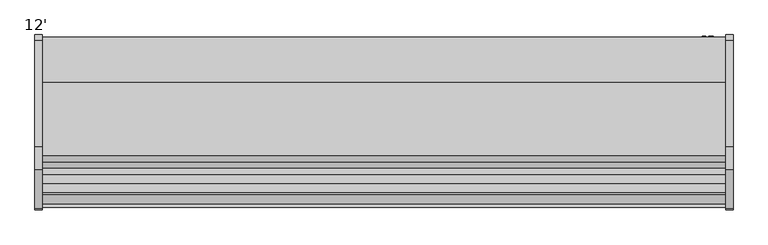
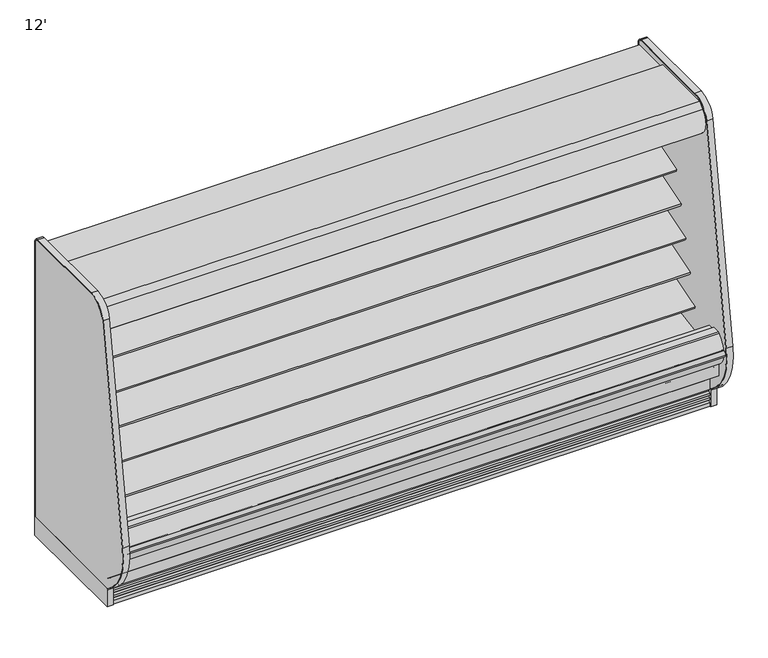
"""IFC4 building model written with IfcOpenShell, lengths in millimetres: proxy geometry, 12'."""

from ifc_helpers import new_model, si_unit, point, frame, frame_2d, origin, origin_with_axes, place, context, project, spatial, polyline, circle_curve, trimmed, segment, composite_curve, outline, extrude, source, transform, mapped, element, save
from ifc_brep_helpers import plane_surface, revolved_surface, advanced_brep


def proxy_12_115de630(model_context):
    return source(origin(), model_context, "Body", "SolidModel", [
        extrude(outline(composite_curve([segment(polyline([(-504.9331995, 1231.4784284), (-504.9331995, 1153.1939633), (-518.2051955, 1148.8882479)]), True, "CONTINUOUS"), segment(trimmed(circle_curve(frame_2d((-526.0433303, 1173.0486213)), 25.4), [point((-518.2051955, 1148.8882479))], [point((-535.5495316, 1149.4945954))], False, "CARTESIAN"), True, "CONTINUOUS"), segment(polyline([(-535.5495316, 1149.4945954), (-556.8449295, 1158.0892339)]), True, "CONTINUOUS"), segment(trimmed(circle_curve(frame_2d((-580.6104329, 1099.2041692)), 63.5), [point((-556.8449295, 1158.0892339))], [point((-591.4790956, 1161.7671149))], True, "CARTESIAN"), True, "CONTINUOUS"), segment(polyline([(-591.4790956, 1161.7671149), (-780.783108, 1128.6709714), (-783.2127521, 1131.5259116), (-840.8364756, 1113.9085713), (-844.9951707, 1127.5110502), (-504.9331995, 1231.4784284)]), True, "CONTINUOUS")], self_intersect=False)), frame((0.0, 0.0, 0.0), z_axis=(1.0, 0.0, 0.0), x_axis=(0.0, 1.0, 0.0)), (0.0, 0.0, 1.0), 3657.6),
        extrude(outline(composite_curve([segment(trimmed(circle_curve(frame_2d((-755.1213828, 1754.6817837)), 14.2875), [point((-740.8338828, 1754.6817837))], [point((-769.4088828, 1754.6817837))], False, "CARTESIAN"), True, "CONTINUOUS"), segment(trimmed(circle_curve(frame_2d((-755.1213828, 1754.6817837)), 14.2875), [point((-769.4088828, 1754.6817837))], [point((-740.8338828, 1754.6817837))], False, "CARTESIAN"), True, "CONTINUOUS")], self_intersect=False)), frame((0.0, 0.0, 0.0), z_axis=(1.0, 0.0, 0.0), x_axis=(0.0, 1.0, 0.0)), (0.0, 0.0, 1.0), 3657.6),
        extrude(outline(polyline([(-734.0000368, 1783.4480074), (-734.0000368, 1781.8605074), (-745.9062868, 1781.8605074), (-781.6250368, 1758.0480074), (-781.6250368, 1781.8605074), (-802.2625368, 1781.8605074), (-802.2625368, 1723.2826254), (-798.9859062, 1707.1532905), (-800.5416293, 1706.8372496), (-803.8500368, 1723.1230074), (-803.8500368, 1783.4480074), (-734.0000368, 1783.4480074)])), frame((0.0, 0.0, 0.0), z_axis=(1.0, 0.0, 0.0), x_axis=(0.0, 1.0, 0.0)), (0.0, 0.0, 1.0), 3657.6),
        extrude(outline(composite_curve([segment(polyline([(-645.2072918, 1887.6264001), (-951.9166873, 1887.6264001), (-951.9166873, 1837.4360001), (-910.7889599, 1837.4360001), (-910.7889599, 1751.481792), (-914.7191706, 1751.481792), (-957.9732964, 1778.3902586), (-1045.9679806, 1778.3902586), (-1051.3862085, 1749.0156271), (-1059.481178, 1742.4581239), (-1061.2400107, 1736.6057625), (-1066.37165, 1728.7312858)]), True, "CONTINUOUS"), segment(trimmed(circle_curve(frame_2d((-1071.317344, 1733.5755629)), 6.9229264), [point((-1066.37165, 1728.7312858))], [point((-1076.4850743, 1728.9688858))], False, "CARTESIAN"), True, "CONTINUOUS"), segment(trimmed(circle_curve(frame_2d((-997.6333247, 1799.2598126)), 105.6333886), [point((-1076.4850743, 1728.9688858))], [point((-1070.6777032, 1875.5679482))], False, "CARTESIAN"), True, "CONTINUOUS"), segment(trimmed(circle_curve(frame_2d((-1536.9601915, 2362.0700675)), 673.8721474), [point((-1070.6777032, 1875.5679482))], [point((-1038.8813513, 1908.174551))], True, "CARTESIAN"), True, "CONTINUOUS"), segment(polyline([(-1038.8813513, 1908.174551), (-645.2072918, 1908.174551), (-645.2072918, 1887.6264001)]), True, "CONTINUOUS")], self_intersect=False)), frame((0.0, 0.0, 0.0), z_axis=(1.0, 0.0, 0.0), x_axis=(0.0, 1.0, 0.0)), (0.0, 0.0, 1.0), 3657.6),
        extrude(outline(polyline([(174.853063, -1017.4589273), (481.100863, -1017.4589273), (481.100863, -1115.8839273), (174.853063, -1115.8839273), (174.853063, -1017.4589273)])), frame((0.0, 0.0, 7.2630602), z_axis=(0.0, 0.0, 1.0), x_axis=(1.0, 0.0, 0.0)), (0.0, 0.0, 1.0), 9.6482401),
        extrude(outline(composite_curve([segment(trimmed(circle_curve(frame_2d((3464.8428976, -1007.9339273)), 12.7), [point((3452.1428976, -1007.9339273))], [point((3477.5428976, -1007.9339273))], False, "CARTESIAN"), True, "CONTINUOUS"), segment(trimmed(circle_curve(frame_2d((3464.8428976, -1007.9339273)), 12.7), [point((3477.5428976, -1007.9339273))], [point((3452.1428976, -1007.9339273))], False, "CARTESIAN"), True, "CONTINUOUS")], self_intersect=False)), frame((0.0, 0.0, 71.1788852), z_axis=(0.0, 0.0, 1.0), x_axis=(1.0, 0.0, 0.0)), (0.0, 0.0, 1.0), 58.9961148),
        extrude(outline(composite_curve([segment(trimmed(circle_curve(frame_2d((3412.5280532, -1007.9339273)), 9.525), [point((3403.0030532, -1007.9339273))], [point((3422.0530532, -1007.9339273))], False, "CARTESIAN"), True, "CONTINUOUS"), segment(trimmed(circle_curve(frame_2d((3412.5280532, -1007.9339273)), 9.525), [point((3422.0530532, -1007.9339273))], [point((3403.0030532, -1007.9339273))], False, "CARTESIAN"), True, "CONTINUOUS")], self_intersect=False)), frame((0.0, 0.0, 71.1788852), z_axis=(0.0, 0.0, 1.0), x_axis=(1.0, 0.0, 0.0)), (0.0, 0.0, 1.0), 58.9961148),
        extrude(outline(composite_curve([segment(trimmed(circle_curve(frame_2d((1828.8, -988.8839273)), 38.1), [point((1790.7, -988.8839273))], [point((1866.9, -988.8839273))], False, "CARTESIAN"), True, "CONTINUOUS"), segment(trimmed(circle_curve(frame_2d((1828.8, -988.8839273)), 38.1), [point((1866.9, -988.8839273))], [point((1790.7, -988.8839273))], False, "CARTESIAN"), True, "CONTINUOUS")], self_intersect=False)), frame((0.0, 0.0, 71.1788852), z_axis=(0.0, 0.0, 1.0), x_axis=(1.0, 0.0, 0.0)), (0.0, 0.0, 1.0), 58.9961148),
        advanced_brep(
        [(3657.6, -1017.4589273, 130.175), (3657.6, -1087.7580824, 130.175), (3657.6, -1115.8839273, 152.8829537), (3657.6, -1115.8839273, 16.9113003), (3657.6, -1017.4589273, 16.9113003), (0.0, -1017.4589273, 130.175), (0.0, -1017.4589273, 16.9113003), (0.0, -1115.8839273, 16.9113003), (0.0, -1115.8839273, 152.8829537), (0.0, -1087.7580824, 130.175), (3488.4240418, -1017.4589273, 130.175), (3388.6259582, -1017.4589273, 130.175), (1870.8013021, -1017.4589273, 130.175), (1786.7986979, -1017.4589273, 130.175), (1786.7986979, -1017.4589273, 16.9113003), (1870.8013021, -1017.4589273, 16.9113003), (3388.6259582, -1017.4589273, 16.9113003), (3488.4240418, -1017.4589273, 16.9113003)],
        [
            (0, 1),
            (1, 2),
            (2, 3),
            (3, 4),
            (4, 0),
            (5, 6),
            (6, 7),
            (7, 8),
            (8, 9),
            (9, 5),
            (0, 10),
            (10, 11, circle_curve(frame((3438.525, -1007.9339273, 130.175), z_axis=(0.0, 0.0, -1.0), x_axis=(1.0, 0.0, 0.0)), 50.8)),
            (11, 12),
            (12, 13, circle_curve(frame((1828.8, -988.8839273, 130.175), z_axis=(0.0, 0.0, -1.0), x_axis=(1.0, 0.0, 0.0)), 50.8)),
            (13, 5),
            (9, 1),
            (8, 2),
            (3, 7),
            (6, 14),
            (14, 15, circle_curve(frame((1828.8, -988.8839273, 16.9113003), z_axis=(0.0, 0.0, 1.0), x_axis=(1.0, 0.0, 0.0)), 50.8)),
            (15, 16),
            (16, 17, circle_curve(frame((3438.525, -1007.9339273, 16.9113003), z_axis=(0.0, 0.0, 1.0), x_axis=(1.0, 0.0, 0.0)), 50.8)),
            (17, 4),
            (17, 10),
            (13, 14),
            (15, 12),
            (11, 16),
        ],
        [
            plane_surface(frame((3657.6, -1087.7580824, 130.175), z_axis=(1.0, 0.0, 0.0), x_axis=(0.0, -1.0, 0.0))),
            plane_surface(frame((0.0, -1087.7580824, 130.175), z_axis=(-1.0, 0.0, 0.0), x_axis=(0.0, 1.0, 0.0))),
            plane_surface(frame((3657.6, -1017.4589273, 130.175), z_axis=(0.0, 0.0, 1.0), x_axis=(-1.0, 0.0, 0.0))),
            plane_surface(frame((3657.6, -1087.7580824, 130.175), z_axis=(0.0, 0.628185164263753, 0.7780638787393499), x_axis=(-1.0, 0.0, 0.0))),
            plane_surface(frame((3657.6, -1115.8839273, 16.9113003), z_axis=(0.0, 0.0, -1.0), x_axis=(-1.0, 0.0, 0.0))),
            plane_surface(frame((3657.6, -1017.4589273, 16.9113003), z_axis=(0.0, 1.0, 0.0), x_axis=(-1.0, 0.0, 0.0))),
            revolved_surface(polyline([(1879.6, -988.8839273, 130.175), (1879.6, -988.8839273, 16.9113003)]), (1828.8, -988.8839273, 0.0), (0.0, 0.0, 1.0)),
            revolved_surface(polyline([(3489.3250000000003, -1007.9339273, 130.175), (3489.3250000000003, -1007.9339273, 16.9113003)]), (3438.525, -1007.9339273, 0.0), (0.0, 0.0, 1.0)),
            plane_surface(frame((3657.6, -1115.8839273, 152.8829537), z_axis=(0.0, -1.0, 0.0), x_axis=(-1.0, 0.0, 0.0))),
        ],
        [
            (0, [[1, 2, 3, 4, 5]]),
            (1, [[6, 7, 8, 9, 10]]),
            (2, [[-1, 11, 12, 13, 14, 15, -10, 16]]),
            (3, [[-2, -16, -9, 17]]),
            (4, [[-4, 18, -7, 19, 20, 21, 22, 23]]),
            (5, [[-5, -23, 24, -11]]),
            (5, [[-6, -15, 25, -19]]),
            (5, [[26, -13, 27, -21]]),
            (6, [[-14, -26, -20, -25]]),
            (7, [[-12, -24, -22, -27]]),
            (8, [[-3, -17, -8, -18]]),
        ],
    ),
        advanced_brep(
        [(3657.6, -401.5089273, 0.0), (3657.6, -401.5089273, 130.175), (3657.6, -1017.4589273, 130.175), (3657.6, -1017.4589273, 0.0), (3657.6, -973.8344273, 0.0), (3657.6, -973.8344273, 74.8810382), (3657.6, -446.7209273, 74.8810382), (3657.6, -446.7209273, 0.0), (0.0, -401.5089273, 0.0), (0.0, -446.7209273, 0.0), (0.0, -446.7209273, 74.8810382), (0.0, -973.8344273, 74.8810382), (0.0, -973.8344273, 0.0), (0.0, -1017.4589273, 0.0), (0.0, -1017.4589273, 130.175), (0.0, -401.5089273, 130.175), (1786.7986979, -1017.4589273, 130.175), (1778.0, -988.8839273, 130.175), (1879.6, -988.8839273, 130.175), (1870.8013021, -1017.4589273, 130.175), (3388.6259582, -1017.4589273, 130.175), (3387.725, -1007.9339273, 130.175), (3489.325, -1007.9339273, 130.175), (3488.4240418, -1017.4589273, 130.175), (3488.4240418, -1017.4589273, 0.0), (1786.7986979, -1017.4589273, 0.0), (1870.8013021, -1017.4589273, 0.0), (3388.6259582, -1017.4589273, 0.0), (3489.325, -1007.9339273, 0.0), (3476.1795362, -973.8344273, 0.0), (1780.28039, -973.8344273, 0.0), (1778.0, -988.8839273, 0.0), (1879.6, -988.8839273, 0.0), (1877.31961, -973.8344273, 0.0), (3400.8704638, -973.8344273, 0.0), (3387.725, -1007.9339273, 0.0), (3476.1795362, -973.8344273, 74.8810382), (1780.28039, -973.8344273, 74.8810382), (1877.31961, -973.8344273, 74.8810382), (3400.8704638, -973.8344273, 74.8810382)],
        [
            (0, 1),
            (1, 2),
            (2, 3),
            (3, 4),
            (4, 5),
            (5, 6),
            (6, 7),
            (7, 0),
            (8, 9),
            (9, 10),
            (10, 11),
            (11, 12),
            (12, 13),
            (13, 14),
            (14, 15),
            (15, 8),
            (0, 8),
            (15, 1),
            (14, 16),
            (16, 17, circle_curve(frame((1828.8, -988.8839273, 130.175), z_axis=(0.0, 0.0, -1.0), x_axis=(1.0, 0.0, 0.0)), 50.8)),
            (17, 18, circle_curve(frame((1828.8, -988.8839273, 130.175), z_axis=(0.0, 0.0, -1.0), x_axis=(1.0, 0.0, 0.0)), 50.8)),
            (18, 19, circle_curve(frame((1828.8, -988.8839273, 130.175), z_axis=(0.0, 0.0, -1.0), x_axis=(1.0, 0.0, 0.0)), 50.8)),
            (19, 20),
            (20, 21, circle_curve(frame((3438.525, -1007.9339273, 130.175), z_axis=(0.0, 0.0, -1.0), x_axis=(1.0, 0.0, 0.0)), 50.8)),
            (21, 22, circle_curve(frame((3438.525, -1007.9339273, 130.175), z_axis=(0.0, 0.0, -1.0), x_axis=(1.0, 0.0, 0.0)), 50.8)),
            (22, 23, circle_curve(frame((3438.525, -1007.9339273, 130.175), z_axis=(0.0, 0.0, -1.0), x_axis=(1.0, 0.0, 0.0)), 50.8)),
            (23, 2),
            (23, 24),
            (24, 3),
            (13, 25),
            (25, 16),
            (19, 26),
            (26, 27),
            (27, 20),
            (24, 28, circle_curve(frame((3438.525, -1007.9339273, 0.0), z_axis=(0.0, 0.0, 1.0), x_axis=(1.0, 0.0, 0.0)), 50.8)),
            (28, 29, circle_curve(frame((3438.525, -1007.9339273, 0.0), z_axis=(0.0, 0.0, 1.0), x_axis=(1.0, 0.0, 0.0)), 50.8)),
            (29, 4),
            (12, 30),
            (30, 31, circle_curve(frame((1828.8, -988.8839273, 0.0), z_axis=(0.0, 0.0, 1.0), x_axis=(1.0, 0.0, 0.0)), 50.8)),
            (31, 25, circle_curve(frame((1828.8, -988.8839273, 0.0), z_axis=(0.0, 0.0, 1.0), x_axis=(1.0, 0.0, 0.0)), 50.8)),
            (26, 32, circle_curve(frame((1828.8, -988.8839273, 0.0), z_axis=(0.0, 0.0, 1.0), x_axis=(1.0, 0.0, 0.0)), 50.8)),
            (32, 33, circle_curve(frame((1828.8, -988.8839273, 0.0), z_axis=(0.0, 0.0, 1.0), x_axis=(1.0, 0.0, 0.0)), 50.8)),
            (33, 34),
            (34, 35, circle_curve(frame((3438.525, -1007.9339273, 0.0), z_axis=(0.0, 0.0, 1.0), x_axis=(1.0, 0.0, 0.0)), 50.8)),
            (35, 27, circle_curve(frame((3438.525, -1007.9339273, 0.0), z_axis=(0.0, 0.0, 1.0), x_axis=(1.0, 0.0, 0.0)), 50.8)),
            (29, 36),
            (36, 5),
            (11, 37),
            (37, 30),
            (33, 38),
            (38, 39),
            (39, 34),
            (36, 39, circle_curve(frame((3438.525, -1007.9339273, 74.8810382), z_axis=(0.0, 0.0, 1.0), x_axis=(1.0, 0.0, 0.0)), 50.8)),
            (38, 37, circle_curve(frame((1828.8, -988.8839273, 74.8810382), z_axis=(0.0, 0.0, 1.0), x_axis=(1.0, 0.0, 0.0)), 50.8)),
            (10, 6),
            (9, 7),
            (18, 32),
            (31, 17),
            (22, 28),
            (35, 21),
        ],
        [
            plane_surface(frame((3657.6, -401.5089273, 1893.5715584), z_axis=(1.0, 0.0, 0.0), x_axis=(0.0, 0.0, 1.0))),
            plane_surface(frame((0.0, -401.5089273, 1893.5715584), z_axis=(-1.0, 0.0, 0.0), x_axis=(0.0, 0.0, -1.0))),
            plane_surface(frame((3657.6, -401.5089273, 0.0), z_axis=(0.0, 1.0, 0.0), x_axis=(-1.0, 0.0, 0.0))),
            plane_surface(frame((3657.6, -401.5089273, 130.175), z_axis=(0.0, 0.0, 1.0), x_axis=(-1.0, 0.0, 0.0))),
            plane_surface(frame((3657.6, -1017.4589273, 130.175), z_axis=(0.0, -1.0, 0.0), x_axis=(-1.0, 0.0, 0.0))),
            plane_surface(frame((3657.6, -1017.4589273, 0.0), z_axis=(0.0, 0.0, -1.0), x_axis=(-1.0, 0.0, 0.0))),
            plane_surface(frame((3657.6, -973.8344273, 0.0), z_axis=(0.0, 1.0, 0.0), x_axis=(-1.0, 0.0, 0.0))),
            plane_surface(frame((3657.6, -973.8344273, 74.8810382), z_axis=(0.0, 0.0, -1.0), x_axis=(-1.0, 0.0, 0.0))),
            plane_surface(frame((3657.6, -446.7209273, 74.8810382), z_axis=(0.0, -1.0, 0.0), x_axis=(-1.0, 0.0, 0.0))),
            plane_surface(frame((3657.6, -446.7209273, 0.0), z_axis=(0.0, 0.0, -1.0), x_axis=(-1.0, 0.0, 0.0))),
            revolved_surface(polyline([(1879.6, -988.8839273, 130.175), (1879.6, -988.8839273, 0.0)]), (1828.8, -988.8839273, 0.0), (0.0, 0.0, 1.0)),
            revolved_surface(polyline([(3489.3250000000003, -1007.9339273, 130.175), (3489.3250000000003, -1007.9339273, 0.0)]), (3438.525, -1007.9339273, 0.0), (0.0, 0.0, 1.0)),
        ],
        [
            (0, [[1, 2, 3, 4, 5, 6, 7, 8]]),
            (1, [[9, 10, 11, 12, 13, 14, 15, 16]]),
            (2, [[-1, 17, -16, 18]]),
            (3, [[-2, -18, -15, 19, 20, 21, 22, 23, 24, 25, 26, 27]]),
            (4, [[-3, -27, 28, 29]]),
            (4, [[-14, 30, 31, -19]]),
            (4, [[32, 33, 34, -23]]),
            (5, [[-4, -29, 35, 36, 37]]),
            (5, [[-13, 38, 39, 40, -30]]),
            (5, [[41, 42, 43, 44, 45, -33]]),
            (6, [[-5, -37, 46, 47]]),
            (6, [[-12, 48, 49, -38]]),
            (6, [[50, 51, 52, -43]]),
            (7, [[-6, -47, 53, -51, 54, -48, -11, 55]]),
            (8, [[-7, -55, -10, 56]]),
            (9, [[-8, -56, -9, -17]]),
            (10, [[57, -41, -32, -22]]),
            (10, [[58, -20, -31, -40]]),
            (10, [[-57, -21, -58, -39, -49, -54, -50, -42]]),
            (11, [[59, -35, -28, -26]]),
            (11, [[60, -24, -34, -45]]),
            (11, [[-59, -25, -60, -44, -52, -53, -46, -36]]),
        ],
    ),
        extrude(outline(composite_curve([segment(polyline([(-504.9331995, 698.5637759), (-504.9331995, 620.2793108), (-518.2051955, 615.9735953)]), True, "CONTINUOUS"), segment(trimmed(circle_curve(frame_2d((-526.0433303, 640.1339687)), 25.4), [point((-518.2051955, 615.9735953))], [point((-535.5495316, 616.5799428))], False, "CARTESIAN"), True, "CONTINUOUS"), segment(polyline([(-535.5495316, 616.5799428), (-558.3357517, 627.7682995)]), True, "CONTINUOUS"), segment(trimmed(circle_curve(frame_2d((-569.7928058, 604.43485)), 25.9944985), [point((-558.3357517, 627.7682995))], [point((-574.7613155, 629.9500977))], True, "CARTESIAN"), True, "CONTINUOUS"), segment(polyline([(-574.7613155, 629.9500977), (-831.3116554, 579.9927985), (-834.3085598, 582.9897029), (-986.5773204, 536.436471), (-990.7360155, 550.0389499), (-504.9331995, 698.5637759)]), True, "CONTINUOUS")], self_intersect=False)), frame((0.0, 0.0, 0.0), z_axis=(1.0, 0.0, 0.0), x_axis=(0.0, 1.0, 0.0)), (0.0, 0.0, 1.0), 3657.6),
        extrude(outline(composite_curve([segment(polyline([(-504.9331995, 876.3637759), (-504.9331995, 798.0793108), (-518.2051955, 793.7735953)]), True, "CONTINUOUS"), segment(trimmed(circle_curve(frame_2d((-526.0433303, 817.9339687)), 25.4), [point((-518.2051955, 793.7735953))], [point((-535.5495316, 794.3799428))], False, "CARTESIAN"), True, "CONTINUOUS"), segment(polyline([(-535.5495316, 794.3799428), (-556.8449295, 802.9745814)]), True, "CONTINUOUS"), segment(trimmed(circle_curve(frame_2d((-580.6104329, 744.0895166)), 63.5), [point((-556.8449295, 802.9745814))], [point((-591.4790956, 806.6524623))], True, "CARTESIAN"), True, "CONTINUOUS"), segment(polyline([(-591.4790956, 806.6524623), (-780.783108, 773.5563188), (-783.2127521, 776.4112591), (-937.9970388, 729.0889536), (-942.1557339, 742.6914325), (-504.9331995, 876.3637759)]), True, "CONTINUOUS")], self_intersect=False)), frame((0.0, 0.0, 0.0), z_axis=(1.0, 0.0, 0.0), x_axis=(0.0, 1.0, 0.0)), (0.0, 0.0, 1.0), 3657.6),
        extrude(outline(composite_curve([segment(polyline([(-504.9331995, 1054.1637759), (-504.9331995, 975.8793108), (-518.2051955, 971.5735953)]), True, "CONTINUOUS"), segment(trimmed(circle_curve(frame_2d((-526.0433303, 995.7339687)), 25.4), [point((-518.2051955, 971.5735953))], [point((-535.5495316, 972.1799428))], False, "CARTESIAN"), True, "CONTINUOUS"), segment(polyline([(-535.5495316, 972.1799428), (-556.8449295, 980.7745814)]), True, "CONTINUOUS"), segment(trimmed(circle_curve(frame_2d((-580.6104329, 921.8895166)), 63.5), [point((-556.8449295, 980.7745814))], [point((-591.4790956, 984.4524623))], True, "CARTESIAN"), True, "CONTINUOUS"), segment(polyline([(-591.4790956, 984.4524623), (-780.783108, 951.3563188), (-783.2127521, 954.2112591), (-889.4167572, 921.7414362), (-893.5754523, 935.3439151), (-504.9331995, 1054.1637759)]), True, "CONTINUOUS")], self_intersect=False)), frame((0.0, 0.0, 0.0), z_axis=(1.0, 0.0, 0.0), x_axis=(0.0, 1.0, 0.0)), (0.0, 0.0, 1.0), 3657.6),
        extrude(outline(composite_curve([segment(trimmed(circle_curve(frame_2d((317.5, 3578.0090336)), 12.7), [point((317.5, 3590.7090336))], [point((317.5, 3565.3090336))], False, "CARTESIAN"), True, "CONTINUOUS"), segment(trimmed(circle_curve(frame_2d((317.5, 3578.0090336)), 12.7), [point((317.5, 3565.3090336))], [point((317.5, 3590.7090336))], False, "CARTESIAN"), True, "CONTINUOUS")], self_intersect=False)), frame((0.0, -447.5561252, 0.0), z_axis=(0.0, 1.0, 0.0), x_axis=(0.0, 0.0, 1.0)), (0.0, 0.0, 1.0), 52.3971979),
        extrude(outline(composite_curve([segment(trimmed(circle_curve(frame_2d((317.5, 3539.5972115)), 9.525), [point((317.5, 3549.1222115))], [point((317.5, 3530.0722115))], False, "CARTESIAN"), True, "CONTINUOUS"), segment(trimmed(circle_curve(frame_2d((317.5, 3539.5972115)), 9.525), [point((317.5, 3530.0722115))], [point((317.5, 3549.1222115))], False, "CARTESIAN"), True, "CONTINUOUS")], self_intersect=False)), frame((0.0, -447.5561252, 0.0), z_axis=(0.0, 1.0, 0.0), x_axis=(0.0, 0.0, 1.0)), (0.0, 0.0, 1.0), 52.3971979),
        extrude(outline(composite_curve([segment(polyline([(-451.7851762, 1837.4360001), (-451.7851762, 404.745884), (-504.9331995, 404.745884), (-504.9331995, 1758.0415628)]), True, "CONTINUOUS"), segment(trimmed(circle_curve(frame_2d((-530.3331995, 1758.0415628)), 25.4), [point((-504.9331995, 1758.0415628))], [point((-530.3331995, 1783.4415628))], True, "CARTESIAN"), True, "CONTINUOUS"), segment(polyline([(-530.3331995, 1783.4415628), (-809.1889611, 1783.4415628), (-809.1889611, 1776.8817932), (-910.7889599, 1776.8817932), (-910.7889599, 1837.4360001), (-451.7851762, 1837.4360001)]), True, "CONTINUOUS")], self_intersect=False)), frame((0.0, 0.0, 0.0), z_axis=(1.0, 0.0, 0.0), x_axis=(0.0, 1.0, 0.0)), (0.0, 0.0, 1.0), 3657.6),
        advanced_brep(
        [(3657.6, -1087.7580824, 130.175), (3657.6, -401.5089273, 130.175), (3657.6, -401.5089273, 1887.6264001), (3657.6, -951.9166873, 1887.6264001), (3657.6, -951.9166873, 1837.4360001), (3657.6, -451.7851762, 1837.4360001), (3657.6, -451.7851762, 220.9153254), (3657.6, -907.4980548, 192.4688739), (3657.6, -953.7315308, 153.8351049), (3657.6, -1018.2338414, 151.5826346), (3657.6, -1069.8475697, 188.921294), (3657.6, -1084.4521206, 188.4112919), (3657.6, -1191.9593872, 278.6205996), (3657.6, -1191.9593872, 391.24255), (3657.6, -1241.4639874, 391.24255), (3657.6, -1241.4639874, 254.2724833), (0.0, -1087.7580824, 130.175), (0.0, -1241.4639874, 254.2724833), (0.0, -1241.4639874, 391.24255), (0.0, -1191.9593872, 391.24255), (0.0, -1191.9593872, 278.6205996), (0.0, -1084.4521206, 188.4112919), (0.0, -1069.8475697, 188.921294), (0.0, -1018.2338414, 151.5826346), (0.0, -953.7315308, 153.8351049), (0.0, -907.4980548, 192.4688739), (0.0, -451.7851762, 220.9153254), (0.0, -451.7851762, 1837.4360001), (0.0, -951.9166873, 1837.4360001), (0.0, -951.9166873, 1887.6264001), (0.0, -401.5089273, 1887.6264001), (0.0, -401.5089273, 130.175), (3556.0, -447.5561252, 266.7), (3556.0, -447.5561252, 368.3), (3556.0, -401.5089273, 368.3), (3556.0, -401.5089273, 266.7)],
        [
            (0, 1),
            (1, 2),
            (2, 3),
            (3, 4),
            (4, 5),
            (5, 6),
            (6, 7),
            (7, 8),
            (8, 9),
            (9, 10),
            (10, 11),
            (11, 12),
            (12, 13),
            (13, 14),
            (14, 15),
            (15, 0),
            (16, 17),
            (17, 18),
            (18, 19),
            (19, 20),
            (20, 21),
            (21, 22),
            (22, 23),
            (23, 24),
            (24, 25),
            (25, 26),
            (26, 27),
            (27, 28),
            (28, 29),
            (29, 30),
            (30, 31),
            (31, 16),
            (32, 33, circle_curve(frame((3556.0, -447.5561252, 317.5), z_axis=(0.0, 1.0, 0.0), x_axis=(0.0, 0.0, 1.0)), 50.8)),
            (33, 32, circle_curve(frame((3556.0, -447.5561252, 317.5), z_axis=(0.0, 1.0, 0.0), x_axis=(0.0, 0.0, 1.0)), 50.8)),
            (33, 34),
            (34, 35, circle_curve(frame((3556.0, -401.5089273, 317.5), z_axis=(0.0, 1.0, 0.0), x_axis=(0.0, 0.0, 1.0)), 50.8)),
            (35, 32),
            (35, 34, circle_curve(frame((3556.0, -401.5089273, 317.5), z_axis=(0.0, 1.0, 0.0), x_axis=(0.0, 0.0, 1.0)), 50.8)),
            (0, 16),
            (31, 1),
            (30, 2),
            (29, 3),
            (28, 4),
            (27, 5),
            (26, 6),
            (25, 7),
            (12, 20),
            (19, 13),
            (18, 14),
            (17, 15),
            (24, 8),
            (23, 9),
            (22, 10),
            (21, 11),
        ],
        [
            plane_surface(frame((3657.6, -401.5089273, 130.175), z_axis=(1.0, 0.0, 0.0), x_axis=(0.0, 1.0, 0.0))),
            plane_surface(frame((0.0, -401.5089273, 130.175), z_axis=(-1.0, 0.0, 0.0), x_axis=(0.0, -1.0, 0.0))),
            plane_surface(frame((3556.0, -447.5561252, 368.3), z_axis=(0.0, 1.0, 0.0), x_axis=(-1.0, 0.0, 0.0))),
            revolved_surface(polyline([(3556.0, -447.5561252, 368.3), (3556.0, -401.5089273, 368.3)]), (3556.0, -401.5089273, 317.5), (0.0, -1.0, 0.0)),
            plane_surface(frame((3657.6, -1087.7580824, 130.175), z_axis=(0.0, 0.0, -1.0), x_axis=(-1.0, 0.0, 0.0))),
            plane_surface(frame((3657.6, -401.5089273, 130.175), z_axis=(0.0, 1.0, 0.0), x_axis=(-1.0, 0.0, 0.0))),
            plane_surface(frame((3657.6, -401.5089273, 1887.6264001), z_axis=(0.0, 0.0, 1.0), x_axis=(-1.0, 0.0, 0.0))),
            plane_surface(frame((3657.6, -951.9166873, 1887.6264001), z_axis=(0.0, -1.0, 0.0), x_axis=(-1.0, 0.0, 0.0))),
            plane_surface(frame((3657.6, -951.9166873, 1837.4360001), z_axis=(0.0, 0.0, -1.0), x_axis=(-1.0, 0.0, 0.0))),
            plane_surface(frame((3657.6, -451.7851762, 1837.4360001), z_axis=(0.0, -1.0, 0.0), x_axis=(-1.0, 0.0, 0.0))),
            plane_surface(frame((3657.6, -451.7851762, 220.9153254), z_axis=(0.0, -0.06230061419367981, 0.9980574299463385), x_axis=(-1.0, 0.0, 0.0))),
            plane_surface(frame((3657.6, -1191.9593872, 278.6205996), z_axis=(0.0, 1.0, 0.0), x_axis=(-1.0, 0.0, 0.0))),
            plane_surface(frame((3657.6, -1191.9593872, 391.24255), z_axis=(0.0, 0.0, 1.0), x_axis=(-1.0, 0.0, 0.0))),
            plane_surface(frame((3657.6, -1241.4639874, 391.24255), z_axis=(0.0, -1.0, 0.0), x_axis=(-1.0, 0.0, 0.0))),
            plane_surface(frame((3657.6, -1241.4639874, 254.2724833), z_axis=(0.0, -0.628185164263745, -0.7780638787393563), x_axis=(-1.0, 0.0, 0.0))),
            plane_surface(frame((3657.6, -907.4980548, 192.4688739), z_axis=(0.0, -0.6412208566385623, 0.7673563794037999), x_axis=(-1.0, 0.0, 0.0))),
            plane_surface(frame((3657.6, -953.7315308, 153.8351049), z_axis=(0.0, -0.03489949670243331, 0.9993908270190981), x_axis=(-1.0, 0.0, 0.0))),
            plane_surface(frame((3657.6, -1018.2338414, 151.5826346), z_axis=(0.0, 0.5861307997256778, 0.810216443682142), x_axis=(-1.0, 0.0, 0.0))),
            plane_surface(frame((3657.6, -1069.8475697, 188.921294), z_axis=(0.0, -0.03489949670351323, 0.9993908270190605), x_axis=(-1.0, 0.0, 0.0))),
            plane_surface(frame((3657.6, -1084.4521206, 188.4112919), z_axis=(0.0, 0.6427876096870777, 0.7660444431185264), x_axis=(-1.0, 0.0, 0.0))),
        ],
        [
            (0, [[1, 2, 3, 4, 5, 6, 7, 8, 9, 10, 11, 12, 13, 14, 15, 16]]),
            (1, [[17, 18, 19, 20, 21, 22, 23, 24, 25, 26, 27, 28, 29, 30, 31, 32]]),
            (2, [[33, 34]]),
            (3, [[-34, 35, 36, 37]]),
            (3, [[-33, -37, 38, -35]]),
            (4, [[-1, 39, -32, 40]]),
            (5, [[-2, -40, -31, 41], [-36, -38]]),
            (6, [[-3, -41, -30, 42]]),
            (7, [[-4, -42, -29, 43]]),
            (8, [[-5, -43, -28, 44]]),
            (9, [[-6, -44, -27, 45]]),
            (10, [[-7, -45, -26, 46]]),
            (11, [[-13, 47, -20, 48]]),
            (12, [[-14, -48, -19, 49]]),
            (13, [[-15, -49, -18, 50]]),
            (14, [[-16, -50, -17, -39]]),
            (15, [[-8, -46, -25, 51]]),
            (16, [[-9, -51, -24, 52]]),
            (17, [[-10, -52, -23, 53]]),
            (18, [[-11, -53, -22, 54]]),
            (19, [[-12, -54, -21, -47]]),
        ],
    ),
        extrude(outline(composite_curve([segment(polyline([(-1139.9331995, 376.9165628), (-1088.1875931, 376.9165628), (-1084.249805, 378.3216284), (-610.6406734, 456.5929299), (-610.1926758, 450.1862651), (-516.7472923, 456.7206028)]), True, "CONTINUOUS"), segment(trimmed(circle_curve(frame_2d((-517.6331995, 469.3896663)), 12.7), [point((-516.7472923, 456.7206028))], [point((-504.9331995, 469.3896663))], True, "CARTESIAN"), True, "CONTINUOUS"), segment(polyline([(-504.9331995, 469.3896663), (-504.9331995, 404.745884), (-451.7851762, 404.745884), (-451.7851762, 220.9153254), (-907.4980548, 192.4688739), (-953.7315308, 153.8351049), (-1018.2338414, 151.5826346), (-1069.8475697, 188.921294), (-1084.4521206, 188.4112919), (-1191.9593872, 278.6205996), (-1191.9593872, 521.2079999), (-1139.9331995, 521.2079999), (-1139.9331995, 376.9165628)]), True, "CONTINUOUS")], self_intersect=False)), frame((0.0, 0.0, 0.0), z_axis=(1.0, 0.0, 0.0), x_axis=(0.0, 1.0, 0.0)), (0.0, 0.0, 1.0), 3657.6),
        extrude(outline(polyline([(3657.6, -809.1889611), (3657.6, -910.7889599), (0.0, -910.7889599), (0.0, -809.1889611), (3657.6, -809.1889611)])), frame((0.0, 0.0, 1751.481792), z_axis=(0.0, 0.0, 1.0), x_axis=(1.0, 0.0, 0.0)), (0.0, 0.0, 1.0), 25.4000011),
        extrude(outline(composite_curve([segment(trimmed(circle_curve(frame_2d((-1019.8653186, 1751.3133542)), 14.2875), [point((-1034.1528186, 1751.3133542))], [point((-1005.5778186, 1751.3133542))], False, "CARTESIAN"), True, "CONTINUOUS"), segment(trimmed(circle_curve(frame_2d((-1019.8653186, 1751.3133542)), 14.2875), [point((-1005.5778186, 1751.3133542))], [point((-1034.1528186, 1751.3133542))], False, "CARTESIAN"), True, "CONTINUOUS")], self_intersect=False)), frame((0.0, 0.0, 0.0), z_axis=(1.0, 0.0, 0.0), x_axis=(0.0, 1.0, 0.0)), (0.0, 0.0, 1.0), 3657.6),
        extrude(outline(composite_curve([segment(trimmed(circle_curve(frame_2d((-976.1825309, 1751.3133542)), 14.2875), [point((-990.4700309, 1751.3133542))], [point((-961.8950309, 1751.3133542))], False, "CARTESIAN"), True, "CONTINUOUS"), segment(trimmed(circle_curve(frame_2d((-976.1825309, 1751.3133542)), 14.2875), [point((-961.8950309, 1751.3133542))], [point((-990.4700309, 1751.3133542))], False, "CARTESIAN"), True, "CONTINUOUS")], self_intersect=False)), frame((0.0, 0.0, 0.0), z_axis=(1.0, 0.0, 0.0), x_axis=(0.0, 1.0, 0.0)), (0.0, 0.0, 1.0), 3657.6),
        extrude(outline(polyline([(-524.5538195, 1504.4404382), (-699.0292362, 1749.045951), (-692.6360518, 1751.0180598), (-519.384186, 1508.127902), (-524.5538195, 1504.4404382)])), frame((0.0, 0.0, 0.0), z_axis=(1.0, 0.0, 0.0), x_axis=(0.0, 1.0, 0.0)), (0.0, 0.0, 1.0), 3657.6),
        extrude(outline(composite_curve([segment(polyline([(-504.9331995, 1528.8244166), (-504.9331995, 1490.7251669)]), True, "CONTINUOUS"), segment(trimmed(circle_curve(frame_2d((-507.7906995, 1490.7251669)), 2.8575), [point((-504.9331995, 1490.7251669))], [point((-506.6741853, 1488.0948242))], False, "CARTESIAN"), True, "CONTINUOUS"), segment(polyline([(-506.6741853, 1488.0948242), (-515.7704668, 1484.2336819)]), True, "CONTINUOUS"), segment(trimmed(circle_curve(frame_2d((-516.8869809, 1486.8640245)), 2.8575), [point((-515.7704668, 1484.2336819))], [point((-519.4330321, 1485.5667466))], False, "CARTESIAN"), True, "CONTINUOUS"), segment(polyline([(-519.4330321, 1485.5667466), (-527.3608411, 1501.125948)]), True, "CONTINUOUS"), segment(trimmed(circle_curve(frame_2d((-526.2292629, 1501.7025159)), 1.27), [point((-527.3608411, 1501.125948))], [point((-526.8058308, 1502.8340942))], False, "CARTESIAN"), True, "CONTINUOUS"), segment(polyline([(-526.8058308, 1502.8340942), (-519.384186, 1508.127902), (-507.5996446, 1491.6065843), (-506.2031995, 1490.7251669), (-506.2031995, 1528.8244166), (-504.9331995, 1528.8244166)]), True, "CONTINUOUS")], self_intersect=False)), frame((0.0, 0.0, 0.0), z_axis=(1.0, 0.0, 0.0), x_axis=(0.0, 1.0, 0.0)), (0.0, 0.0, 1.0), 3657.6),
        extrude(outline(composite_curve([segment(polyline([(-697.0188534, 1757.162521), (-692.6360518, 1751.0180598), (-701.6311946, 1748.2433237)]), True, "CONTINUOUS"), segment(trimmed(circle_curve(frame_2d((-702.2914708, 1750.3838079)), 2.2400083), [point((-701.6311946, 1748.2433237))], [point((-703.4764456, 1748.4828943))], False, "CARTESIAN"), True, "CONTINUOUS"), segment(polyline([(-703.4764456, 1748.4828943), (-727.5060675, 1782.1711818), (-733.570953, 1782.1711818), (-733.570953, 1783.4411818), (-727.5060675, 1783.4411818)]), True, "CONTINUOUS"), segment(trimmed(circle_curve(frame_2d((-727.5060675, 1782.1711818)), 1.27), [point((-727.5060675, 1783.4411818))], [point((-726.4721408, 1782.9086746))], False, "CARTESIAN"), True, "CONTINUOUS"), segment(polyline([(-726.4721408, 1782.9086746), (-714.3244423, 1765.8782294), (-704.636549, 1772.7885365)]), True, "CONTINUOUS"), segment(trimmed(circle_curve(frame_2d((-703.8990563, 1771.7546097)), 1.27), [point((-704.636549, 1772.7885365))], [point((-702.8651296, 1772.4921025))], False, "CARTESIAN"), True, "CONTINUOUS"), segment(polyline([(-702.8651296, 1772.4921025), (-693.6464701, 1759.5680186), (-697.0188534, 1757.162521)]), True, "CONTINUOUS")], self_intersect=False)), frame((0.0, 0.0, 0.0), z_axis=(1.0, 0.0, 0.0), x_axis=(0.0, 1.0, 0.0)), (0.0, 0.0, 1.0), 3657.6),
        extrude(outline(composite_curve([segment(polyline([(-504.9331995, 1409.2784284), (-504.9331995, 1330.5086159), (-518.2051955, 1326.2029004)]), True, "CONTINUOUS"), segment(trimmed(circle_curve(frame_2d((-526.0433303, 1350.3632738)), 25.4), [point((-518.2051955, 1326.2029004))], [point((-535.5495316, 1326.8092479))], False, "CARTESIAN"), True, "CONTINUOUS"), segment(polyline([(-535.5495316, 1326.8092479), (-556.8449295, 1335.4038865)]), True, "CONTINUOUS"), segment(trimmed(circle_curve(frame_2d((-580.6104329, 1276.5188217)), 63.5), [point((-556.8449295, 1335.4038865))], [point((-591.4790956, 1339.0817674))], True, "CARTESIAN"), True, "CONTINUOUS"), segment(polyline([(-591.4790956, 1339.0817674), (-731.8999615, 1314.8919145), (-738.7354966, 1322.9239732), (-792.256194, 1306.5610539), (-796.4148891, 1320.1635328), (-504.9331995, 1409.2784284)]), True, "CONTINUOUS")], self_intersect=False)), frame((0.0, 0.0, 0.0), z_axis=(1.0, 0.0, 0.0), x_axis=(0.0, 1.0, 0.0)), (0.0, 0.0, 1.0), 3657.6),
        extrude(outline(composite_curve([segment(trimmed(circle_curve(frame_2d((-1295.4698501, 431.8)), 17.2640772), [point((-1312.7339273, 431.8))], [point((-1278.2057729, 431.8))], False, "CARTESIAN"), True, "CONTINUOUS"), segment(trimmed(circle_curve(frame_2d((-1295.4698501, 431.8)), 17.2640772), [point((-1278.2057729, 431.8))], [point((-1312.7339273, 431.8))], False, "CARTESIAN"), True, "CONTINUOUS")], self_intersect=False)), frame((0.0, 0.0, 0.0), z_axis=(1.0, 0.0, 0.0), x_axis=(0.0, 1.0, 0.0)), (0.0, 0.0, 1.0), 3657.6),
        extrude(outline(composite_curve([segment(polyline([(-1188.2747913, 521.2079999), (-1191.9593872, 521.2079999), (-1191.9593872, 391.24255), (-1241.4639874, 391.24255), (-1241.4639874, 350.0194213), (-1265.9341168, 350.0194213)]), True, "CONTINUOUS"), segment(trimmed(circle_curve(frame_2d((-1170.707609, 434.0486555)), 126.9999999), [point((-1265.9341168, 350.0194213))], [point((-1296.202068, 414.5514575))], False, "CARTESIAN"), True, "CONTINUOUS"), segment(trimmed(circle_curve(frame_2d((-1295.4698501, 431.8)), 17.2640772), [point((-1296.202068, 414.5514575))], [point((-1278.2057729, 431.8))], True, "CARTESIAN"), True, "CONTINUOUS"), segment(trimmed(circle_curve(frame_2d((-1295.4698501, 431.8)), 17.2640772), [point((-1278.2057729, 431.8))], [point((-1295.2903371, 449.0631439))], True, "CARTESIAN"), True, "CONTINUOUS"), segment(trimmed(circle_curve(frame_2d((-1123.8462796, 402.089233)), 177.7628003), [point((-1295.2903371, 449.0631439))], [point((-1244.6289384, 532.5160803))], False, "CARTESIAN"), True, "CONTINUOUS"), segment(trimmed(circle_curve(frame_2d((-1233.7721419, 520.7923962)), 15.9785731), [point((-1244.6289384, 532.5160803))], [point((-1233.8677913, 536.770683))], False, "CARTESIAN"), True, "CONTINUOUS"), segment(polyline([(-1233.8677913, 536.770683), (-1188.2747913, 536.770683), (-1188.2747913, 521.2079999)]), True, "CONTINUOUS")], self_intersect=False)), frame((0.0, 0.0, 0.0), z_axis=(1.0, 0.0, 0.0), x_axis=(0.0, 1.0, 0.0)), (0.0, 0.0, 1.0), 3657.6),
        extrude(outline(composite_curve([segment(polyline([(-1115.8839273, 152.8829537), (-1115.8839273, 0.0), (-1147.6339273, 0.0), (-1147.6339273, 21.669938)]), True, "CONTINUOUS"), segment(trimmed(circle_curve(frame_2d((-1148.3535668, 35.0997821)), 13.4491113), [point((-1147.6339273, 21.669938))], [point((-1135.5236279, 31.0660168))], True, "CARTESIAN"), True, "CONTINUOUS"), segment(polyline([(-1135.5236279, 31.0660168), (-1133.2133599, 40.2067021), (-1145.1701446, 40.2067021), (-1145.1701446, 52.9067021)]), True, "CONTINUOUS"), segment(trimmed(circle_curve(frame_2d((-1149.5880124, 66.4088493)), 14.2065314), [point((-1145.1701446, 52.9067021))], [point((-1136.0281464, 62.1714479))], True, "CARTESIAN"), True, "CONTINUOUS"), segment(polyline([(-1136.0281464, 62.1714479), (-1133.2133599, 71.1788852), (-1145.1701446, 71.1788852), (-1145.1701446, 83.8788852)]), True, "CONTINUOUS"), segment(trimmed(circle_curve(frame_2d((-1149.6603877, 97.4524489)), 14.2969897), [point((-1145.1701446, 83.8788852))], [point((-1136.0281464, 93.143631))], True, "CARTESIAN"), True, "CONTINUOUS"), segment(polyline([(-1136.0281464, 93.143631), (-1132.5390493, 104.1824391), (-1132.5390493, 107.8329403), (-1145.4066893, 107.8329403), (-1145.4066893, 176.7187358), (-1115.8839273, 152.8829537)]), True, "CONTINUOUS")], self_intersect=False)), frame((0.0, 0.0, 0.0), z_axis=(1.0, 0.0, 0.0), x_axis=(0.0, 1.0, 0.0)), (0.0, 0.0, 1.0), 3657.6),
        extrude(outline(composite_curve([segment(polyline([(-987.339716, 1924.84248), (-420.5589273, 1924.84248)]), True, "CONTINUOUS"), segment(trimmed(circle_curve(frame_2d((-420.5589273, 1899.44248)), 25.4), [point((-420.5589273, 1924.84248))], [point((-395.1589273, 1899.44248))], False, "CARTESIAN"), True, "CONTINUOUS"), segment(polyline([(-395.1589273, 1899.44248), (-395.1589273, 123.825), (-1163.7666142, 123.825)]), True, "CONTINUOUS"), segment(trimmed(circle_curve(frame_2d((-963.0548561, 419.7457292)), 357.5671795), [point((-1163.7666142, 123.825))], [point((-1315.3485172, 480.9295848))], False, "CARTESIAN"), True, "CONTINUOUS"), segment(polyline([(-1315.3485172, 480.9295848), (-1106.2103301, 1824.8370822)]), True, "CONTINUOUS"), segment(trimmed(circle_curve(frame_2d((-987.339716, 1804.19248)), 120.65), [point((-1106.2103301, 1824.8370822))], [point((-987.339716, 1924.84248))], False, "CARTESIAN"), True, "CONTINUOUS")], self_intersect=False)), frame((-38.1, 0.0, 0.0), z_axis=(1.0, 0.0, 0.0), x_axis=(0.0, 1.0, 0.0)), (0.0, 0.0, 1.0), 38.1),
        extrude(outline(composite_curve([segment(trimmed(circle_curve(frame_2d((-420.5589273, 1899.44248)), 31.75), [point((-420.5589273, 1931.19248))], [point((-388.8089273, 1899.44248))], False, "CARTESIAN"), True, "CONTINUOUS"), segment(polyline([(-388.8089273, 1899.44248), (-388.8089273, 123.825), (-395.1589273, 123.825), (-395.1589273, 1899.44248)]), True, "CONTINUOUS"), segment(trimmed(circle_curve(frame_2d((-420.5589273, 1899.44248)), 25.4), [point((-395.1589273, 1899.44248))], [point((-420.5589273, 1924.84248))], True, "CARTESIAN"), True, "CONTINUOUS"), segment(polyline([(-420.5589273, 1924.84248), (-987.339716, 1924.84248)]), True, "CONTINUOUS"), segment(trimmed(circle_curve(frame_2d((-987.339716, 1804.19248)), 120.65), [point((-987.339716, 1924.84248))], [point((-1106.2103301, 1824.8370822))], True, "CARTESIAN"), True, "CONTINUOUS"), segment(polyline([(-1106.2103301, 1824.8370822), (-1315.3485172, 480.9295848)]), True, "CONTINUOUS"), segment(trimmed(circle_curve(frame_2d((-963.0548561, 419.7457292)), 357.5671795), [point((-1315.3485172, 480.9295848))], [point((-1163.7666142, 123.825))], True, "CARTESIAN"), True, "CONTINUOUS"), segment(polyline([(-1163.7666142, 123.825), (-1153.7579456, 123.825), (-1153.7579456, 117.475), (-1165.7075633, 117.475)]), True, "CONTINUOUS"), segment(trimmed(circle_curve(frame_2d((-963.0548561, 419.7457292)), 363.9171795), [point((-1165.7075633, 117.475))], [point((-1321.6048653, 482.0161428))], False, "CARTESIAN"), True, "CONTINUOUS"), segment(polyline([(-1321.6048653, 482.0161428), (-1112.4666782, 1825.9236402)]), True, "CONTINUOUS"), segment(trimmed(circle_curve(frame_2d((-987.339716, 1804.19248)), 127.0), [point((-1112.4666782, 1825.9236402))], [point((-987.339716, 1931.19248))], False, "CARTESIAN"), True, "CONTINUOUS"), segment(polyline([(-987.339716, 1931.19248), (-420.5589273, 1931.19248)]), True, "CONTINUOUS")], self_intersect=False)), frame((-38.1, 0.0, 0.0), z_axis=(1.0, 0.0, 0.0), x_axis=(0.0, 1.0, 0.0)), (0.0, 0.0, 1.0), 38.1),
        extrude(outline(polyline([(0.0, -388.8089273), (0.0, -1153.7579456), (-38.1, -1153.7579456), (-38.1, -388.8089273), (0.0, -388.8089273)])), origin_with_axes(), (0.0, 0.0, 1.0), 123.825),
        extrude(outline(composite_curve([segment(polyline([(-987.339716, 1924.84248), (-420.5589273, 1924.84248)]), True, "CONTINUOUS"), segment(trimmed(circle_curve(frame_2d((-420.5589273, 1899.44248)), 25.4), [point((-420.5589273, 1924.84248))], [point((-395.1589273, 1899.44248))], False, "CARTESIAN"), True, "CONTINUOUS"), segment(polyline([(-395.1589273, 1899.44248), (-395.1589273, 123.825), (-1163.7666142, 123.825)]), True, "CONTINUOUS"), segment(trimmed(circle_curve(frame_2d((-963.0548561, 419.7457292)), 357.5671795), [point((-1163.7666142, 123.825))], [point((-1315.3485172, 480.9295848))], False, "CARTESIAN"), True, "CONTINUOUS"), segment(polyline([(-1315.3485172, 480.9295848), (-1106.2103301, 1824.8370822)]), True, "CONTINUOUS"), segment(trimmed(circle_curve(frame_2d((-987.339716, 1804.19248)), 120.65), [point((-1106.2103301, 1824.8370822))], [point((-987.339716, 1924.84248))], False, "CARTESIAN"), True, "CONTINUOUS")], self_intersect=False)), frame((3657.6, 0.0, 0.0), z_axis=(1.0, 0.0, 0.0), x_axis=(0.0, 1.0, 0.0)), (0.0, 0.0, 1.0), 38.1),
        extrude(outline(composite_curve([segment(trimmed(circle_curve(frame_2d((-420.5589273, 1899.44248)), 31.75), [point((-420.5589273, 1931.19248))], [point((-388.8089273, 1899.44248))], False, "CARTESIAN"), True, "CONTINUOUS"), segment(polyline([(-388.8089273, 1899.44248), (-388.8089273, 123.825), (-395.1589273, 123.825), (-395.1589273, 1899.44248)]), True, "CONTINUOUS"), segment(trimmed(circle_curve(frame_2d((-420.5589273, 1899.44248)), 25.4), [point((-395.1589273, 1899.44248))], [point((-420.5589273, 1924.84248))], True, "CARTESIAN"), True, "CONTINUOUS"), segment(polyline([(-420.5589273, 1924.84248), (-987.339716, 1924.84248)]), True, "CONTINUOUS"), segment(trimmed(circle_curve(frame_2d((-987.339716, 1804.19248)), 120.65), [point((-987.339716, 1924.84248))], [point((-1106.2103301, 1824.8370822))], True, "CARTESIAN"), True, "CONTINUOUS"), segment(polyline([(-1106.2103301, 1824.8370822), (-1315.3485172, 480.9295848)]), True, "CONTINUOUS"), segment(trimmed(circle_curve(frame_2d((-963.0548561, 419.7457292)), 357.5671795), [point((-1315.3485172, 480.9295848))], [point((-1163.7666142, 123.825))], True, "CARTESIAN"), True, "CONTINUOUS"), segment(polyline([(-1163.7666142, 123.825), (-1153.7579456, 123.825), (-1153.7579456, 117.475), (-1165.7075633, 117.475)]), True, "CONTINUOUS"), segment(trimmed(circle_curve(frame_2d((-963.0548561, 419.7457292)), 363.9171795), [point((-1165.7075633, 117.475))], [point((-1321.6048653, 482.0161428))], False, "CARTESIAN"), True, "CONTINUOUS"), segment(polyline([(-1321.6048653, 482.0161428), (-1112.4666782, 1825.9236402)]), True, "CONTINUOUS"), segment(trimmed(circle_curve(frame_2d((-987.339716, 1804.19248)), 127.0), [point((-1112.4666782, 1825.9236402))], [point((-987.339716, 1931.19248))], False, "CARTESIAN"), True, "CONTINUOUS"), segment(polyline([(-987.339716, 1931.19248), (-420.5589273, 1931.19248)]), True, "CONTINUOUS")], self_intersect=False)), frame((3657.6, 0.0, 0.0), z_axis=(1.0, 0.0, 0.0), x_axis=(0.0, 1.0, 0.0)), (0.0, 0.0, 1.0), 38.1),
        extrude(outline(polyline([(3695.7, -388.8089273), (3695.7, -1153.7579456), (3657.6, -1153.7579456), (3657.6, -388.8089273), (3695.7, -388.8089273)])), origin_with_axes(), (0.0, 0.0, 1.0), 123.825),
    ])


if __name__ == "__main__":
    model = new_model("IFC4")
    model_context = context("Model", 3, world=origin())
    ifc_project = project(units=[si_unit("LENGTHUNIT", "METRE", prefix="MILLI")], contexts=[model_context])
    site = spatial("IfcSite", under=ifc_project)
    building = spatial("IfcBuilding", under=site)
    placement = place(None, origin())
    proxy_12_shape = proxy_12_115de630(model_context)
    element("IfcBuildingElementProxy", 1, Name="12'", ObjectType="12'", at=placement, inside=building, context=model_context, shape_type="MappedRepresentation", body=[
        mapped(proxy_12_shape, transform((0.0, 0.0, 0.0), x_axis=(1.0, 0.0, 0.0), y_axis=(0.0, 1.0, 0.0), z_axis=(0.0, 0.0, 1.0))),
    ])
    save(model, "model.ifc")
